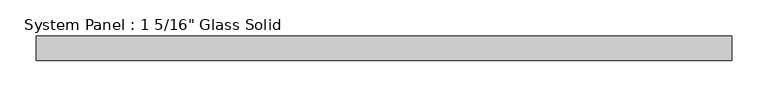
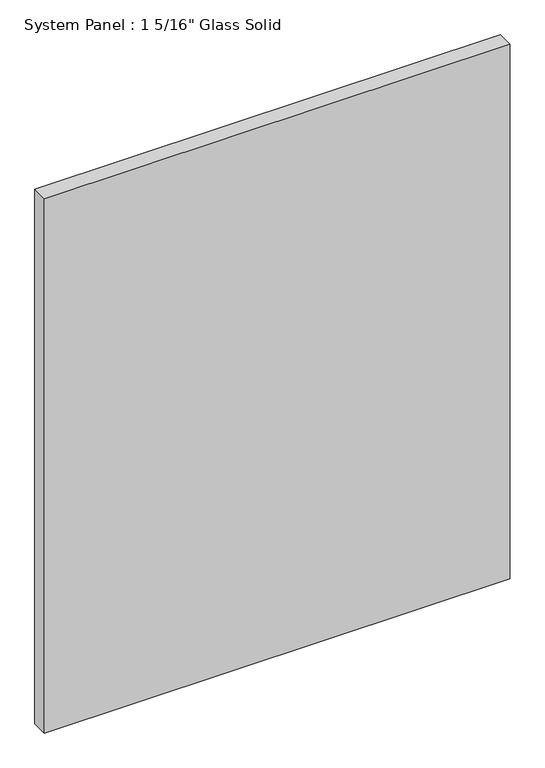
"""IFC4 building model written with IfcOpenShell, lengths in millimetres: plate geometry."""

from ifc_helpers import new_model, si_unit, origin, origin_with_axes, place, context, project, spatial, polyline, outline, extrude, source, transform, mapped, element, save


def plate_6b285009(model_context):
    return source(origin(), model_context, "Body", "SweptSolid", [
        extrude(outline(polyline([(476.8305865, -16.66875), (-476.8305865, -16.66875), (-476.8305865, 16.66875), (476.8305865, 16.66875), (476.8305865, -16.66875)])), origin_with_axes(), (0.0, 0.0, 1.0), 1156.8594027),
    ])


if __name__ == "__main__":
    model = new_model("IFC4")
    model_context = context("Model", 3, world=origin())
    ifc_project = project(units=[si_unit("LENGTHUNIT", "METRE", prefix="MILLI")], contexts=[model_context])
    site = spatial("IfcSite", under=ifc_project)
    building = spatial("IfcBuilding", under=site)
    placement = place(None, origin())
    plate_shape = plate_6b285009(model_context)
    element("IfcPlate", 1, ObjectType="System Panel : 1 5/16\" Glass Solid", at=placement, inside=building, context=model_context, shape_type="MappedRepresentation", body=[
        mapped(plate_shape, transform((0.0, 0.0, 0.0), x_axis=(1.0, 0.0, 0.0), y_axis=(0.0, 1.0, 0.0), z_axis=(0.0, 0.0, 1.0))),
    ])
    save(model, "model.ifc")
